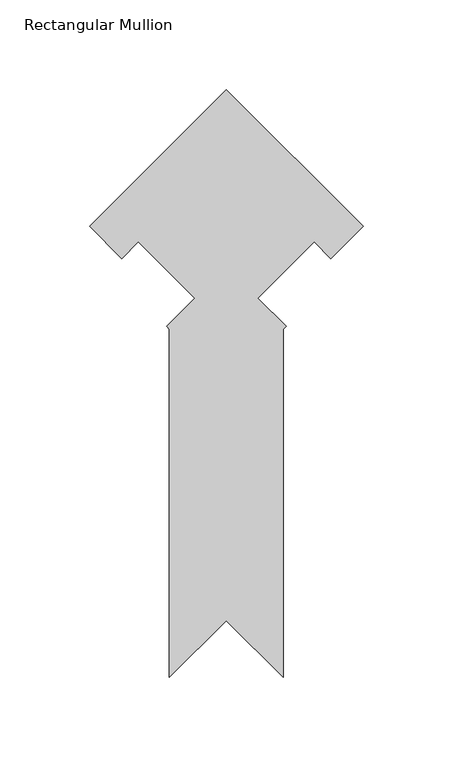
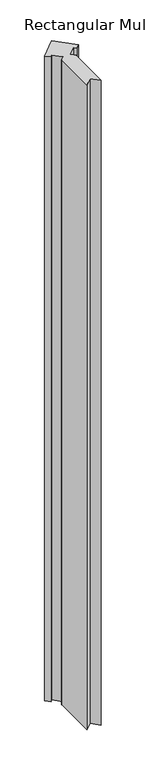
"""IFC4 building model written with IfcOpenShell, lengths in millimetres: member geometry, Rectangular Mullion."""

from ifc_helpers import new_model, si_unit, frame, origin, place, context, project, spatial, polyline, outline, extrude, source, transform, mapped, element, save


def rectangular_mullion_46459b04(model_context):
    return source(origin(), model_context, "Body", "SweptSolid", [
        extrude(outline(polyline([(-108.082177, -14.8222295), (-109.6986231, -13.2057834), (-93.9831749, 2.5096648), (-125.4140713, 33.9405612), (-134.7038458, 24.6507867), (-152.664354, 42.611295), (-76.332177, 118.9434719), (0.0, 42.611295), (-17.9605082, 24.6507867), (-27.2502827, 33.9405612), (-58.6811791, 2.5096648), (-42.9657309, -13.2057834), (-44.582177, -14.8222295), (-44.582177, -209.1549718), (-76.3321769, -177.4049719), (-108.082177, -209.154972), (-108.082177, -14.8222295)])), frame((0.0, 0.0, -3048.0), z_axis=(0.0, 0.0, 1.0), x_axis=(1.0, 0.0, 0.0)), (0.0, 0.0, 1.0), 3048.0),
    ])


if __name__ == "__main__":
    model = new_model("IFC4")
    model_context = context("Model", 3, world=origin())
    ifc_project = project(units=[si_unit("LENGTHUNIT", "METRE", prefix="MILLI")], contexts=[model_context])
    site = spatial("IfcSite", under=ifc_project)
    building = spatial("IfcBuilding", under=site)
    placement = place(None, origin())
    rectangular_mullion_shape = rectangular_mullion_46459b04(model_context)
    element("IfcMember", 1, ObjectType="Rectangular Mullion", at=placement, inside=building, context=model_context, shape_type="MappedRepresentation", body=[
        mapped(rectangular_mullion_shape, transform((0.0, 0.0, 0.0), x_axis=(1.0, 0.0, 0.0), y_axis=(0.0, 1.0, 0.0), z_axis=(0.0, 0.0, 1.0))),
    ])
    save(model, "model.ifc")
